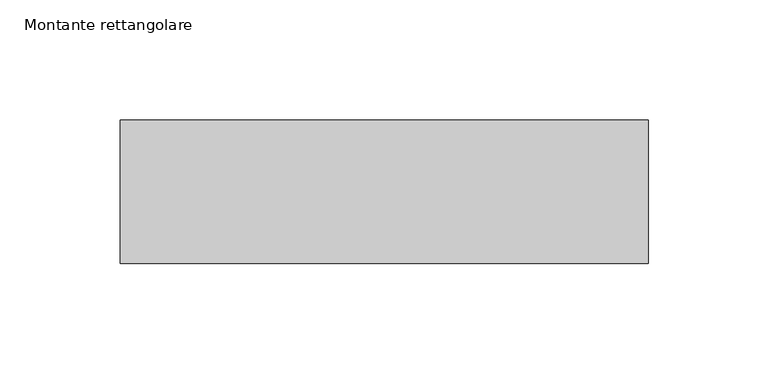
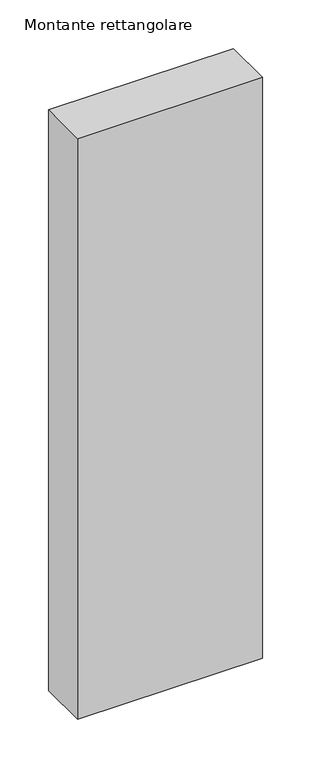
"""IFC4 building model written with IfcOpenShell, lengths in millimetres: member geometry, Montante rettangolare."""

from ifc_helpers import new_model, si_unit, frame, origin, place, context, project, spatial, polyline, outline, extrude, source, transform, mapped, element, save


def montante_rettangolare_7a50bb5c(model_context):
    return source(origin(), model_context, "Body", "SweptSolid", [
        extrude(outline(polyline([(0.0, 30.0), (0.0, -30.0), (-220.0, -30.0), (-220.0, 30.0), (0.0, 30.0)])), frame((0.0, 0.0, -730.0), z_axis=(0.0, 0.0, 1.0), x_axis=(1.0, 0.0, 0.0)), (0.0, 0.0, 1.0), 730.0),
    ])


if __name__ == "__main__":
    model = new_model("IFC4")
    model_context = context("Model", 3, world=origin())
    ifc_project = project(units=[si_unit("LENGTHUNIT", "METRE", prefix="MILLI")], contexts=[model_context])
    site = spatial("IfcSite", under=ifc_project)
    building = spatial("IfcBuilding", under=site)
    placement = place(None, origin())
    montante_rettangolare_shape = montante_rettangolare_7a50bb5c(model_context)
    element("IfcMember", 1, ObjectType="Montante rettangolare", at=placement, inside=building, context=model_context, shape_type="MappedRepresentation", body=[
        mapped(montante_rettangolare_shape, transform((0.0, 0.0, 0.0), x_axis=(1.0, 0.0, 0.0), y_axis=(0.0, 1.0, 0.0), z_axis=(0.0, 0.0, 1.0))),
    ])
    save(model, "model.ifc")
